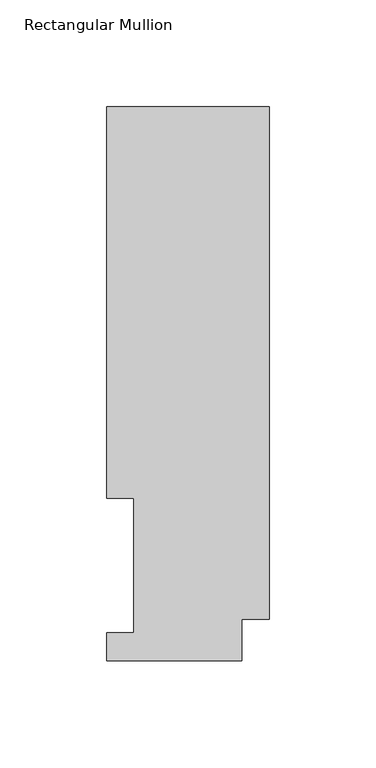
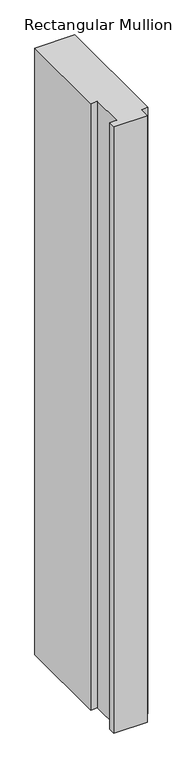
"""IFC4 building model written with IfcOpenShell, lengths in millimetres: member geometry, Rectangular Mullion."""

from ifc_helpers import new_model, si_unit, frame, origin, place, context, project, spatial, polyline, outline, extrude, source, transform, mapped, element, save


def rectangular_mullion_49ca4640(model_context):
    return source(origin(), model_context, "Body", "SweptSolid", [
        extrude(outline(polyline([(-76.2, 259.9671074), (0.0, 259.9671074), (0.0, 19.5088257), (-12.7, 19.5088257), (-12.7, -0.0333811), (-76.2, -0.0333811), (-76.2, 13.1492189), (-63.5, 13.1492189), (-63.5, 76.2992188), (-76.2, 76.2992188), (-76.2, 259.9671074)])), frame((0.0, 0.0, -1219.2), z_axis=(0.0, 0.0, 1.0), x_axis=(1.0, 0.0, 0.0)), (0.0, 0.0, 1.0), 1219.2),
    ])


if __name__ == "__main__":
    model = new_model("IFC4")
    model_context = context("Model", 3, world=origin())
    ifc_project = project(units=[si_unit("LENGTHUNIT", "METRE", prefix="MILLI")], contexts=[model_context])
    site = spatial("IfcSite", under=ifc_project)
    building = spatial("IfcBuilding", under=site)
    placement = place(None, origin())
    rectangular_mullion_shape = rectangular_mullion_49ca4640(model_context)
    element("IfcMember", 1, ObjectType="Rectangular Mullion", at=placement, inside=building, context=model_context, shape_type="MappedRepresentation", body=[
        mapped(rectangular_mullion_shape, transform((0.0, 0.0, 0.0), x_axis=(1.0, 0.0, 0.0), y_axis=(0.0, 1.0, 0.0), z_axis=(0.0, 0.0, 1.0))),
    ])
    save(model, "model.ifc")
